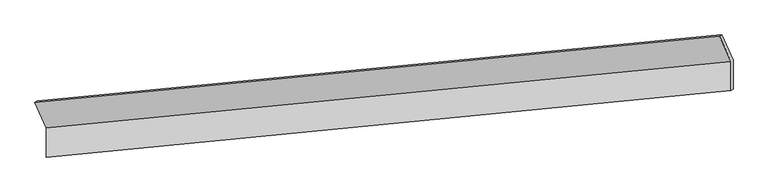
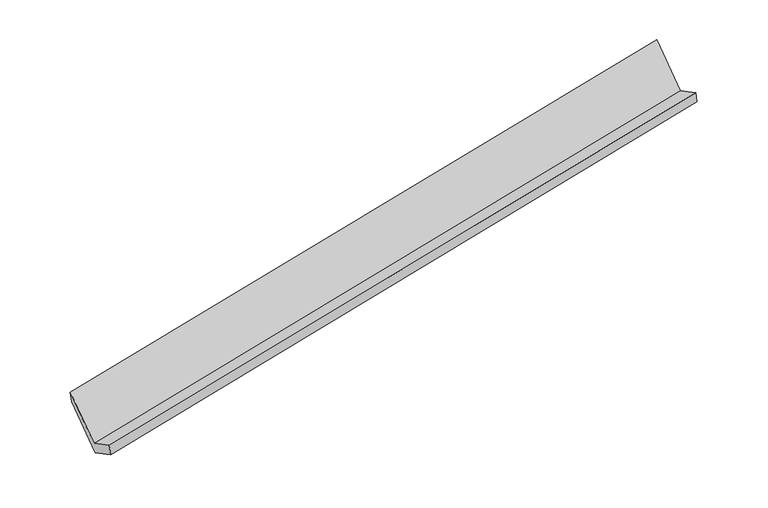
"""IFC4 building model written with IfcOpenShell, lengths in millimetres: proxy geometry."""

from ifc_helpers import new_model, si_unit, origin, place, context, project, spatial, faceted_brep, source, transform, mapped, element, save


def generic_models_57b985b9(model_context):
    return source(origin(), model_context, "Body", "Brep", [
        faceted_brep([(-7482.7071389, -1949.2758437, 833.4113028), (-7483.3540466, -2349.9471153, 1044.5801851), (1834.1651896, -1444.6340748, 2823.0344362), (1834.8120973, -1043.9628033, 2611.8655539), (-7454.1110136, -2328.4219888, 875.8046545), (1863.4082226, -1423.1089484, 2654.2589056), (-7453.4700313, -1931.4206924, 666.5699876), (1864.0492048, -1026.107652, 2445.0242387), (-7607.8023518, -1586.8812111, 1319.8254853), (1709.7168844, -681.5681707, 3098.2797364), (-7637.2287075, -1604.3138751, 1487.4678471), (1680.2905287, -699.0008347, 3265.9220982)], [[[0, 1, 2, 3]], [[1, 4, 5, 2]], [[4, 6, 7, 5]], [[6, 8, 9, 7]], [[8, 10, 11, 9]], [[10, 0, 3, 11]], [[9, 11, 3, 2, 5, 7]], [[0, 10, 8, 6, 4, 1]]]),
    ])


if __name__ == "__main__":
    model = new_model("IFC4")
    model_context = context("Model", 3, world=origin())
    ifc_project = project(units=[si_unit("LENGTHUNIT", "METRE", prefix="MILLI")], contexts=[model_context])
    site = spatial("IfcSite", under=ifc_project)
    building = spatial("IfcBuilding", under=site)
    placement = place(None, origin())
    generic_models_shape = generic_models_57b985b9(model_context)
    element("IfcBuildingElementProxy", 1, Name="Generic Models", at=placement, inside=building, context=model_context, shape_type="MappedRepresentation", body=[
        mapped(generic_models_shape, transform((0.0, 0.0, 0.0), x_axis=(1.0, 0.0, 0.0), y_axis=(0.0, 1.0, 0.0), z_axis=(0.0, 0.0, 1.0))),
    ])
    save(model, "model.ifc")
